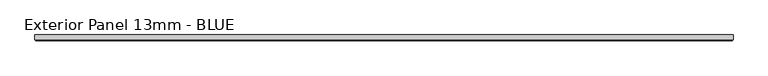
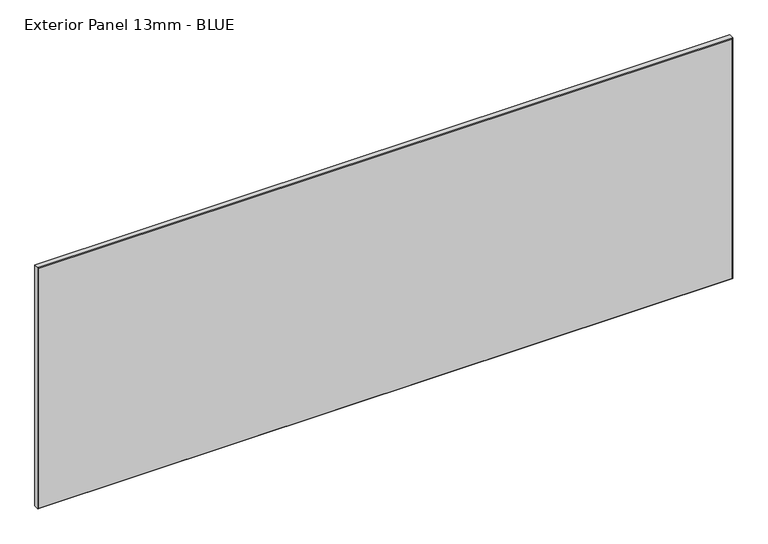
"""IFC4 building model written with IfcOpenShell, lengths in millimetres: proxy geometry, Exterior Panel 13mm - BLUE."""

import ifcopenshell
import ifcopenshell.guid

model = None  # the IFC model being written
_history = None  # IfcOwnerHistory: only IFC2X3 demands one
_inside = {}  # id of a spatial element -> (the spatial element, [elements in it])
_under = {}  # id of a project, library or spatial element -> (it, [spatial elements below it])
_declared = {}  # id of a project -> (the project, [libraries it declares])
_typed = {}  # id of a type object -> (the type object, [elements of that type])
_made_of = {}  # id of a material, layer set ... -> (it, [elements and type objects made of it])


def new_model(schema):
    """Start an empty IFC model of exactly this schema.

    Asked for "IFC4X3", IfcOpenShell would pick the latest addendum, in which some entities
    have other attributes; the version numbers below select the first issue.
    IFC2X3 requires an IfcOwnerHistory on every rooted entity: one is made here for all.
    """
    global model, _history
    if schema == "IFC4X3":
        model = ifcopenshell.file(schema_version=(4, 3, 0, 0))
    else:
        model = ifcopenshell.file(schema=schema)
    _inside.clear()
    _under.clear()
    _declared.clear()
    _typed.clear()
    _made_of.clear()
    _history = None
    if model.schema == "IFC2X3":
        org = make("IfcOrganization", Name="unknown")
        user = make(
            "IfcPersonAndOrganization",
            ThePerson=make("IfcPerson", FamilyName="unknown"),
            TheOrganization=org,
        )
        app = make(
            "IfcApplication",
            ApplicationDeveloper=org,
            Version="unknown",
            ApplicationFullName="unknown",
            ApplicationIdentifier="unknown",
        )
        _history = make(
            "IfcOwnerHistory",
            OwningUser=user,
            OwningApplication=app,
            ChangeAction="ADDED",
            CreationDate=0,
        )
    return model


def make(cls, **values):
    """One entity of the class cls with the attributes given. An attribute that is None is left unset."""
    return model.create_entity(
        cls, **{name: value for name, value in values.items() if value is not None}
    )


def rooted(cls, **values):
    """An entity with a GlobalId (a new one), such as an element, a storey or a relation."""
    return make(cls, GlobalId=ifcopenshell.guid.new(), OwnerHistory=_history, **values)


def si_unit(unit_type, name, prefix=None):
    """IfcSIUnit, for example si_unit("LENGTHUNIT", "METRE", prefix="MILLI")."""
    return make("IfcSIUnit", UnitType=unit_type, Prefix=prefix, Name=name)


def assignment(units):
    """IfcUnitAssignment: the units of a project."""
    return None if units is None else make("IfcUnitAssignment", Units=units)


def point(xyz):
    """IfcCartesianPoint."""
    return None if xyz is None else make("IfcCartesianPoint", Coordinates=xyz)


def direction(xyz):
    """IfcDirection."""
    return None if xyz is None else make("IfcDirection", DirectionRatios=xyz)


def frame(location, z_axis=None, x_axis=None):
    """IfcAxis2Placement3D, a coordinate frame: its origin and axes. An axis left out is left unset."""
    return make(
        "IfcAxis2Placement3D",
        Location=point(location),
        Axis=direction(z_axis),
        RefDirection=direction(x_axis),
    )


def origin():
    """The frame at (0, 0, 0) with its axes left unset."""
    return frame((0.0, 0.0, 0.0))


def place(relative_to, where):
    """IfcLocalPlacement: puts the frame where relative to a parent placement (None: the world)."""
    return make(
        "IfcLocalPlacement", PlacementRelTo=relative_to, RelativePlacement=where
    )


def context(
    kind, dimensions, precision=None, world=None, true_north=None, identifier=None
):
    """IfcGeometricRepresentationContext, for example the 3D "Model" context."""
    return make(
        "IfcGeometricRepresentationContext",
        ContextIdentifier=identifier,
        ContextType=kind,
        CoordinateSpaceDimension=dimensions,
        Precision=precision,
        WorldCoordinateSystem=world,
        TrueNorth=true_north,
    )


def project(units=None, contexts=None):
    """IfcProject with its units and contexts."""
    return rooted(
        "IfcProject",
        Name="project",
        RepresentationContexts=contexts,
        UnitsInContext=assignment(units),
    )


def spatial(cls, under=None, at=None, **own):
    """A site, building, storey or space (cls), placed at a placement, below another one or the project."""
    s = rooted(cls, ObjectPlacement=at, **own)
    if under is not None:
        _under.setdefault(under.id(), (under, []))[1].append(s)
    return s


def faces_of(points, faces, orient=None, outer=None):
    """IfcFace entities. A face is a list of loops; a loop is a list of indices into points, from 0.

    orient and outer hold one flag for each loop. By default every Orientation is true, the
    first loop of a face is its IfcFaceOuterBound and the others are IfcFaceBound.
    """
    made = []
    for i, loops in enumerate(faces):
        bounds = []
        for j, loop in enumerate(loops):
            is_outer = j == 0 if outer is None else outer[i][j]
            bounds.append(
                make(
                    "IfcFaceOuterBound" if is_outer else "IfcFaceBound",
                    Bound=make("IfcPolyLoop", Polygon=[points[k] for k in loop]),
                    Orientation=True if orient is None else orient[i][j],
                )
            )
        made.append(make("IfcFace", Bounds=bounds))
    return made


def faceted_brep(points, faces, orient=None, outer=None, voids=None):
    """IfcFacetedBrep: a solid bounded by flat faces; with voids (closed shells), ...WithVoids."""
    shared = [point(p) for p in points]
    hull = make("IfcClosedShell", CfsFaces=faces_of(shared, faces, orient, outer))
    if voids is None:
        return make("IfcFacetedBrep", Outer=hull)
    return make(
        "IfcFacetedBrepWithVoids",
        Outer=hull,
        Voids=[
            make(cls, CfsFaces=faces_of(shared, fs, o, b)) for cls, fs, o, b in voids
        ],
    )


def shape(context_of_items, identifier, shape_type, items):
    """IfcShapeRepresentation: the items that make up one representation, for example the "Body"."""
    return make(
        "IfcShapeRepresentation",
        ContextOfItems=context_of_items,
        RepresentationIdentifier=identifier,
        RepresentationType=shape_type,
        Items=items,
    )


def source(mapping_origin, context_of_items, identifier, shape_type, items):
    """IfcRepresentationMap: a shape defined once, which mapped items show again and again."""
    return make(
        "IfcRepresentationMap",
        MappingOrigin=mapping_origin,
        MappedRepresentation=shape(context_of_items, identifier, shape_type, items),
    )


def transform(
    local_origin,
    x_axis=None,
    y_axis=None,
    z_axis=None,
    scale=None,
    scale2=None,
    scale3=None,
    uniform=True,
):
    """IfcCartesianTransformationOperator3D, or its non-uniform kind. x_axis, y_axis, z_axis: its Axis1, 2, 3."""
    if uniform:
        return make(
            "IfcCartesianTransformationOperator3D",
            Axis1=direction(x_axis),
            Axis2=direction(y_axis),
            LocalOrigin=point(local_origin),
            Scale=scale,
            Axis3=direction(z_axis),
        )
    return make(
        "IfcCartesianTransformationOperator3DnonUniform",
        Axis1=direction(x_axis),
        Axis2=direction(y_axis),
        LocalOrigin=point(local_origin),
        Scale=scale,
        Axis3=direction(z_axis),
        Scale2=scale2,
        Scale3=scale3,
    )


def mapped(mapping_source, mapping_target):
    """IfcMappedItem: shows the shape of a source again, moved by a transform."""
    return make(
        "IfcMappedItem", MappingSource=mapping_source, MappingTarget=mapping_target
    )


def made_of(thing, what):
    """Note that an element or type object is made of a material, layer set ...; save() writes the relation."""
    if what is not None:
        _made_of.setdefault(what.id(), (what, []))[1].append(thing)
    return thing


def element(
    cls,
    number,
    at=None,
    inside=None,
    cuts=None,
    type_object=None,
    material=None,
    context=None,
    identifier="Body",
    shape_type=None,
    held_by="IfcProductDefinitionShape",
    body=None,
    shapes=None,
    **own,
):
    """One element of the class cls, such as IfcWall. Its Tag is "e" and its number.

    at: its placement. inside: the storey or other place that contains it. cuts: it is an
    opening in that element (IfcRelVoidsElement). A single representation is given by context,
    identifier, shape_type and body (its items); several are given by shapes. held_by: the class
    of the entity that holds the representations. save() writes the other relations.
    """
    e = rooted(cls, Tag="e%d" % number, ObjectPlacement=at, **own)
    if body is not None:
        shapes = [shape(context, identifier, shape_type, body)]
    if shapes is not None:
        e.Representation = make(held_by, Representations=shapes)
    if inside is not None:
        _inside.setdefault(inside.id(), (inside, []))[1].append(e)
    if cuts is not None:
        rooted(
            "IfcRelVoidsElement", RelatingBuildingElement=cuts, RelatedOpeningElement=e
        )
    if type_object is not None:
        _typed.setdefault(type_object.id(), (type_object, []))[1].append(e)
    return made_of(e, material)


def aggregate(whole, parts):
    """IfcRelAggregates: a whole, such as a stair, and the parts it consists of."""
    return rooted("IfcRelAggregates", RelatingObject=whole, RelatedObjects=parts)


def save(model, path):
    """Write the relations noted so far, then the file.

    IfcRelAggregates (storeys below a building ...), IfcRelContainedInSpatialStructure (elements
    in a storey), IfcRelDefinesByType, IfcRelAssociatesMaterial and IfcRelDeclares: one each for
    every whole, place, type object, material and project.
    """
    for whole, parts in _under.values():
        aggregate(whole, parts)
    for where, things in _inside.values():
        rooted(
            "IfcRelContainedInSpatialStructure",
            RelatedElements=things,
            RelatingStructure=where,
        )
    for kind, things in _typed.values():
        rooted("IfcRelDefinesByType", RelatedObjects=things, RelatingType=kind)
    for what, things in _made_of.values():
        rooted("IfcRelAssociatesMaterial", RelatedObjects=things, RelatingMaterial=what)
    for by, libraries in _declared.values():
        rooted("IfcRelDeclares", RelatingContext=by, RelatedDefinitions=libraries)
    model.write(path)


def exterior_panel_13mm_blue_1e6439fa(model_context):
    return source(origin(), model_context, "Body", "Brep", [
        faceted_brep([(1150.9375, 6.35, 571.5), (-406.4, 6.35, 571.5), (-406.4, -4.7625, 571.5), (1150.9375, -4.7625, 571.5), (1150.9375, 6.35, 0.0), (1150.9375, -4.7625, 0.0), (-406.4, -4.7625, 0.0), (-406.4, 6.35, 0.0), (-404.8125, -6.35, 569.9125), (-404.8125, -6.35, 1.5875), (1149.35, -6.35, 1.5875), (1149.35, -6.35, 569.9125)], [[[0, 1, 2, 3]], [[4, 5, 6, 7]], [[1, 0, 4, 7]], [[2, 1, 7, 6]], [[8, 9, 10, 11]], [[0, 3, 5, 4]], [[2, 6, 9, 8]], [[5, 3, 11, 10]], [[3, 2, 8, 11]], [[6, 5, 10, 9]]]),
    ])


if __name__ == "__main__":
    model = new_model("IFC4")
    model_context = context("Model", 3, world=origin())
    ifc_project = project(units=[si_unit("LENGTHUNIT", "METRE", prefix="MILLI")], contexts=[model_context])
    site = spatial("IfcSite", under=ifc_project)
    building = spatial("IfcBuilding", under=site)
    placement = place(None, origin())
    exterior_panel_13mm_blue_shape = exterior_panel_13mm_blue_1e6439fa(model_context)
    element("IfcBuildingElementProxy", 1, Name="Exterior Panel 13mm - BLUE", ObjectType="Exterior Panel 13mm - BLUE", at=placement, inside=building, context=model_context, shape_type="MappedRepresentation", body=[
        mapped(exterior_panel_13mm_blue_shape, transform((0.0, 0.0, 0.0), x_axis=(1.0, 0.0, 0.0), y_axis=(0.0, 1.0, 0.0), z_axis=(0.0, 0.0, 1.0))),
    ])
    save(model, "model.ifc")
